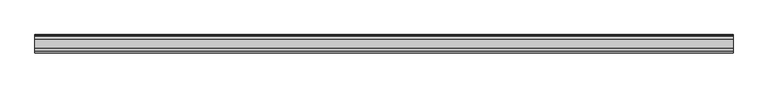
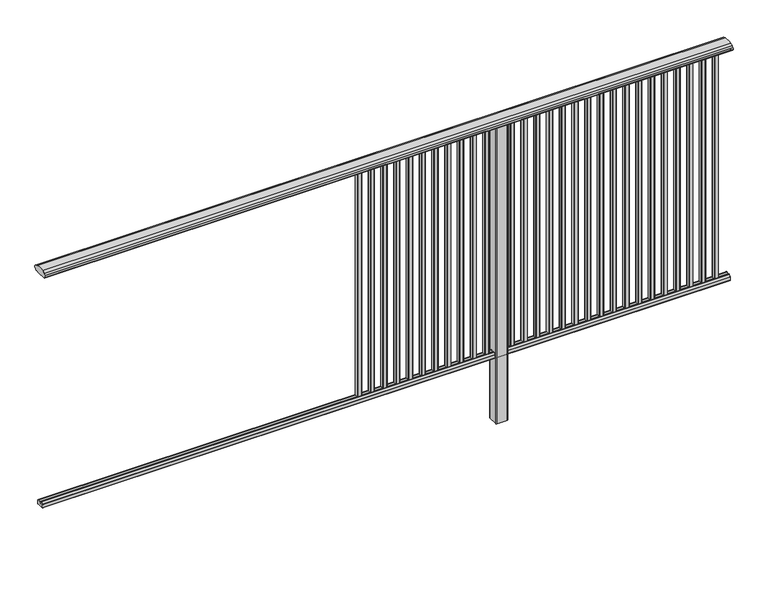
"""IFC4 building model written with IfcOpenShell, lengths in millimetres: railing geometry."""

from ifc_helpers import new_model, si_unit, point, frame, frame_2d, origin, place, context, project, spatial, polyline, circle_curve, trimmed, segment, composite_curve, outline, extrude, source, transform, mapped, element, save


def railing_456559c8(model_context):
    return source(origin(), model_context, "Body", "SweptSolid", [
        extrude(outline(composite_curve([segment(trimmed(circle_curve(frame_2d((7270.3619413, 1153.851602)), 44.999996), [point((7281.0673858, 1197.5596459))], [point((7293.2601573, 1192.5901015))], False, "CARTESIAN"), True, "CONTINUOUS"), segment(trimmed(circle_curve(frame_2d((7284.6097194, 1177.955556)), 17.0), [point((7293.2601573, 1192.5901015))], [point((7299.1544589, 1186.7561556))], False, "CARTESIAN"), True, "CONTINUOUS"), segment(trimmed(circle_curve(frame_2d((7292.0959826, 1182.4852765)), 8.2499997), [point((7299.1544589, 1186.7561556))], [point((7299.1544535, 1178.2143885))], False, "CARTESIAN"), True, "CONTINUOUS"), segment(trimmed(circle_curve(frame_2d((7284.6097251, 1187.0150065)), 17.0), [point((7299.1544535, 1178.2143885))], [point((7293.2601665, 1172.380463))], False, "CARTESIAN"), True, "CONTINUOUS"), segment(trimmed(circle_curve(frame_2d((7270.3619413, 1211.1189571)), 44.999996), [point((7293.2601665, 1172.380463))], [point((7288.7876029, 1170.064181))], False, "CARTESIAN"), True, "CONTINUOUS"), segment(trimmed(circle_curve(frame_2d((7288.1786159, 1172.1635324)), 2.185896), [point((7288.7876029, 1170.064181))], [point((7287.9960148, 1169.9852766))], False, "CARTESIAN"), True, "CONTINUOUS"), segment(trimmed(circle_curve(frame_2d((7287.9960148, 1170.8852766)), 0.9), [point((7287.9960148, 1169.9852766))], [point((7287.0981091, 1170.8239135))], False, "CARTESIAN"), True, "CONTINUOUS"), segment(trimmed(circle_curve(frame_2d((7286.5194733, 1170.8239135)), 0.5786359), [point((7287.0981091, 1170.8239135))], [point((7286.5194733, 1170.2452777))], False, "CARTESIAN"), True, "CONTINUOUS"), segment(polyline([(7286.5194733, 1170.2452777), (7269.5751393, 1170.2452777)]), True, "CONTINUOUS"), segment(trimmed(circle_curve(frame_2d((7260.8508208, 1187.1238497)), 18.999998), [point((7269.5751393, 1170.2452777))], [point((7252.1265024, 1170.2452777))], False, "CARTESIAN"), True, "CONTINUOUS"), segment(polyline([(7252.1265024, 1170.2452777), (7235.1821348, 1170.2452777)]), True, "CONTINUOUS"), segment(trimmed(circle_curve(frame_2d((7235.1821348, 1170.8239135)), 0.5786359), [point((7235.1821348, 1170.2452777))], [point((7234.603499, 1170.8239135))], False, "CARTESIAN"), True, "CONTINUOUS"), segment(trimmed(circle_curve(frame_2d((7233.7055933, 1170.8852766)), 0.9), [point((7234.603499, 1170.8239135))], [point((7233.7055933, 1169.9852766))], False, "CARTESIAN"), True, "CONTINUOUS"), segment(trimmed(circle_curve(frame_2d((7233.5229922, 1172.1635324)), 2.185896), [point((7233.7055933, 1169.9852766))], [point((7232.9140052, 1170.064181))], False, "CARTESIAN"), True, "CONTINUOUS"), segment(trimmed(circle_curve(frame_2d((7251.3396668, 1211.1189571)), 44.999996), [point((7232.9140052, 1170.064181))], [point((7228.8767914, 1172.1264081))], False, "CARTESIAN"), True, "CONTINUOUS"), segment(trimmed(circle_curve(frame_2d((7237.082215, 1187.0150288)), 17.0), [point((7228.8767914, 1172.1264081))], [point((7222.5375128, 1178.2143675))], False, "CARTESIAN"), True, "CONTINUOUS"), segment(trimmed(circle_curve(frame_2d((7229.595971, 1182.4852765)), 8.2499997), [point((7222.5375128, 1178.2143675))], [point((7222.5375074, 1186.7561766))], False, "CARTESIAN"), True, "CONTINUOUS"), segment(trimmed(circle_curve(frame_2d((7237.0822207, 1177.9555337)), 17.0), [point((7222.5375074, 1186.7561766))], [point((7228.4317599, 1192.5900657))], False, "CARTESIAN"), True, "CONTINUOUS"), segment(trimmed(circle_curve(frame_2d((7251.3300365, 1153.851602)), 44.999996), [point((7228.4317599, 1192.5900657))], [point((7240.624592, 1197.5596459))], False, "CARTESIAN"), True, "CONTINUOUS"), segment(trimmed(circle_curve(frame_2d((7260.8459889, 1115.0000001)), 85.0), [point((7240.624592, 1197.5596459))], [point((7281.0673858, 1197.5596459))], False, "CARTESIAN"), True, "CONTINUOUS")], self_intersect=False)), frame((3711.3946925, 0.0, 0.0), z_axis=(1.0, 0.0, 0.0), x_axis=(0.0, 1.0, 0.0)), (0.0, 0.0, 1.0), 3000.0),
        extrude(outline(composite_curve([segment(polyline([(7276.5508136, 100.0), (7245.1507946, 100.0)]), True, "CONTINUOUS"), segment(trimmed(circle_curve(frame_2d((7245.1507946, 101.8)), 1.8), [point((7245.1507946, 100.0))], [point((7243.3507946, 101.8))], False, "CARTESIAN"), True, "CONTINUOUS"), segment(polyline([(7243.3507946, 101.8), (7243.3507946, 115.5269955)]), True, "CONTINUOUS"), segment(trimmed(circle_curve(frame_2d((7245.1507946, 115.5269955)), 1.8), [point((7243.3507946, 115.5269955))], [point((7243.7923399, 116.7079277))], False, "CARTESIAN"), True, "CONTINUOUS"), segment(polyline([(7243.7923399, 116.7079277), (7250.4626384, 124.3809322)]), True, "CONTINUOUS"), segment(trimmed(circle_curve(frame_2d((7251.8210931, 123.2)), 1.8), [point((7250.4626384, 124.3809322))], [point((7251.8210931, 125.0))], False, "CARTESIAN"), True, "CONTINUOUS"), segment(polyline([(7251.8210931, 125.0), (7255.5111113, 125.0), (7256.809143, 113.0), (7264.8924411, 113.0), (7266.1904978, 125.0), (7269.88054, 125.0)]), True, "CONTINUOUS"), segment(trimmed(circle_curve(frame_2d((7269.88054, 123.2)), 1.8), [point((7269.88054, 125.0))], [point((7271.2389969, 124.3809297))], False, "CARTESIAN"), True, "CONTINUOUS"), segment(polyline([(7271.2389969, 124.3809297), (7277.9092704, 116.7079252)]), True, "CONTINUOUS"), segment(trimmed(circle_curve(frame_2d((7276.5508136, 115.5269955)), 1.8), [point((7277.9092704, 116.7079252))], [point((7278.3508136, 115.5269955))], False, "CARTESIAN"), True, "CONTINUOUS"), segment(polyline([(7278.3508136, 115.5269955), (7278.3508136, 101.8)]), True, "CONTINUOUS"), segment(trimmed(circle_curve(frame_2d((7276.5508136, 101.8)), 1.8), [point((7278.3508136, 101.8))], [point((7276.5508136, 100.0))], False, "CARTESIAN"), True, "CONTINUOUS")], self_intersect=False)), frame((3711.3946925, 0.0, 0.0), z_axis=(1.0, 0.0, 0.0), x_axis=(0.0, 1.0, 0.0)), (0.0, 0.0, 1.0), 3000.0),
        extrude(outline(composite_curve([segment(trimmed(circle_curve(frame_2d((6648.2391355, 7268.4508236)), 1.4), [point((6646.8391355, 7268.4508236))], [point((6648.2391355, 7269.8508236))], False, "CARTESIAN"), True, "CONTINUOUS"), segment(polyline([(6648.2391355, 7269.8508236), (6663.4391385, 7269.8508236)]), True, "CONTINUOUS"), segment(trimmed(circle_curve(frame_2d((6663.4391385, 7268.4508236)), 1.4), [point((6663.4391385, 7269.8508236))], [point((6664.8391385, 7268.4508236))], False, "CARTESIAN"), True, "CONTINUOUS"), segment(polyline([(6664.8391385, 7268.4508236), (6664.8391385, 7253.2507846)]), True, "CONTINUOUS"), segment(trimmed(circle_curve(frame_2d((6663.4391385, 7253.2507846)), 1.4), [point((6664.8391385, 7253.2507846))], [point((6663.4391385, 7251.8507846))], False, "CARTESIAN"), True, "CONTINUOUS"), segment(polyline([(6663.4391385, 7251.8507846), (6648.2391355, 7251.8507846)]), True, "CONTINUOUS"), segment(trimmed(circle_curve(frame_2d((6648.2391355, 7253.2507846)), 1.4), [point((6648.2391355, 7251.8507846))], [point((6646.8391355, 7253.2507846))], False, "CARTESIAN"), True, "CONTINUOUS"), segment(polyline([(6646.8391355, 7253.2507846), (6646.8391355, 7268.4508236)]), True, "CONTINUOUS")], self_intersect=False)), frame((0.0, 0.0, 125.0), z_axis=(0.0, 0.0, 1.0), x_axis=(1.0, 0.0, 0.0)), (0.0, 0.0, 1.0), 1043.1238517),
        extrude(outline(composite_curve([segment(trimmed(circle_curve(frame_2d((6592.6835799, 7268.4508236)), 1.4), [point((6591.2835799, 7268.4508236))], [point((6592.6835799, 7269.8508236))], False, "CARTESIAN"), True, "CONTINUOUS"), segment(polyline([(6592.6835799, 7269.8508236), (6607.8835829, 7269.8508236)]), True, "CONTINUOUS"), segment(trimmed(circle_curve(frame_2d((6607.8835829, 7268.4508236)), 1.4), [point((6607.8835829, 7269.8508236))], [point((6609.2835829, 7268.4508236))], False, "CARTESIAN"), True, "CONTINUOUS"), segment(polyline([(6609.2835829, 7268.4508236), (6609.2835829, 7253.2507846)]), True, "CONTINUOUS"), segment(trimmed(circle_curve(frame_2d((6607.8835829, 7253.2507846)), 1.4), [point((6609.2835829, 7253.2507846))], [point((6607.8835829, 7251.8507846))], False, "CARTESIAN"), True, "CONTINUOUS"), segment(polyline([(6607.8835829, 7251.8507846), (6592.6835799, 7251.8507846)]), True, "CONTINUOUS"), segment(trimmed(circle_curve(frame_2d((6592.6835799, 7253.2507846)), 1.4), [point((6592.6835799, 7251.8507846))], [point((6591.2835799, 7253.2507846))], False, "CARTESIAN"), True, "CONTINUOUS"), segment(polyline([(6591.2835799, 7253.2507846), (6591.2835799, 7268.4508236)]), True, "CONTINUOUS")], self_intersect=False)), frame((0.0, 0.0, 125.0), z_axis=(0.0, 0.0, 1.0), x_axis=(1.0, 0.0, 0.0)), (0.0, 0.0, 1.0), 1043.1238517),
        extrude(outline(composite_curve([segment(trimmed(circle_curve(frame_2d((6537.1280244, 7268.4508236)), 1.4), [point((6535.7280244, 7268.4508236))], [point((6537.1280244, 7269.8508236))], False, "CARTESIAN"), True, "CONTINUOUS"), segment(polyline([(6537.1280244, 7269.8508236), (6552.3280274, 7269.8508236)]), True, "CONTINUOUS"), segment(trimmed(circle_curve(frame_2d((6552.3280274, 7268.4508236)), 1.4), [point((6552.3280274, 7269.8508236))], [point((6553.7280274, 7268.4508236))], False, "CARTESIAN"), True, "CONTINUOUS"), segment(polyline([(6553.7280274, 7268.4508236), (6553.7280274, 7253.2507846)]), True, "CONTINUOUS"), segment(trimmed(circle_curve(frame_2d((6552.3280274, 7253.2507846)), 1.4), [point((6553.7280274, 7253.2507846))], [point((6552.3280274, 7251.8507846))], False, "CARTESIAN"), True, "CONTINUOUS"), segment(polyline([(6552.3280274, 7251.8507846), (6537.1280244, 7251.8507846)]), True, "CONTINUOUS"), segment(trimmed(circle_curve(frame_2d((6537.1280244, 7253.2507846)), 1.4), [point((6537.1280244, 7251.8507846))], [point((6535.7280244, 7253.2507846))], False, "CARTESIAN"), True, "CONTINUOUS"), segment(polyline([(6535.7280244, 7253.2507846), (6535.7280244, 7268.4508236)]), True, "CONTINUOUS")], self_intersect=False)), frame((0.0, 0.0, 125.0), z_axis=(0.0, 0.0, 1.0), x_axis=(1.0, 0.0, 0.0)), (0.0, 0.0, 1.0), 1043.1238517),
        extrude(outline(composite_curve([segment(trimmed(circle_curve(frame_2d((6481.5724688, 7268.4508236)), 1.4), [point((6480.1724688, 7268.4508236))], [point((6481.5724688, 7269.8508236))], False, "CARTESIAN"), True, "CONTINUOUS"), segment(polyline([(6481.5724688, 7269.8508236), (6496.7724718, 7269.8508236)]), True, "CONTINUOUS"), segment(trimmed(circle_curve(frame_2d((6496.7724718, 7268.4508236)), 1.4), [point((6496.7724718, 7269.8508236))], [point((6498.1724718, 7268.4508236))], False, "CARTESIAN"), True, "CONTINUOUS"), segment(polyline([(6498.1724718, 7268.4508236), (6498.1724718, 7253.2507846)]), True, "CONTINUOUS"), segment(trimmed(circle_curve(frame_2d((6496.7724718, 7253.2507846)), 1.4), [point((6498.1724718, 7253.2507846))], [point((6496.7724718, 7251.8507846))], False, "CARTESIAN"), True, "CONTINUOUS"), segment(polyline([(6496.7724718, 7251.8507846), (6481.5724688, 7251.8507846)]), True, "CONTINUOUS"), segment(trimmed(circle_curve(frame_2d((6481.5724688, 7253.2507846)), 1.4), [point((6481.5724688, 7251.8507846))], [point((6480.1724688, 7253.2507846))], False, "CARTESIAN"), True, "CONTINUOUS"), segment(polyline([(6480.1724688, 7253.2507846), (6480.1724688, 7268.4508236)]), True, "CONTINUOUS")], self_intersect=False)), frame((0.0, 0.0, 125.0), z_axis=(0.0, 0.0, 1.0), x_axis=(1.0, 0.0, 0.0)), (0.0, 0.0, 1.0), 1043.1238517),
        extrude(outline(composite_curve([segment(trimmed(circle_curve(frame_2d((6426.0169133, 7268.4508236)), 1.4), [point((6424.6169133, 7268.4508236))], [point((6426.0169133, 7269.8508236))], False, "CARTESIAN"), True, "CONTINUOUS"), segment(polyline([(6426.0169133, 7269.8508236), (6441.2169163, 7269.8508236)]), True, "CONTINUOUS"), segment(trimmed(circle_curve(frame_2d((6441.2169163, 7268.4508236)), 1.4), [point((6441.2169163, 7269.8508236))], [point((6442.6169163, 7268.4508236))], False, "CARTESIAN"), True, "CONTINUOUS"), segment(polyline([(6442.6169163, 7268.4508236), (6442.6169163, 7253.2507846)]), True, "CONTINUOUS"), segment(trimmed(circle_curve(frame_2d((6441.2169163, 7253.2507846)), 1.4), [point((6442.6169163, 7253.2507846))], [point((6441.2169163, 7251.8507846))], False, "CARTESIAN"), True, "CONTINUOUS"), segment(polyline([(6441.2169163, 7251.8507846), (6426.0169133, 7251.8507846)]), True, "CONTINUOUS"), segment(trimmed(circle_curve(frame_2d((6426.0169133, 7253.2507846)), 1.4), [point((6426.0169133, 7251.8507846))], [point((6424.6169133, 7253.2507846))], False, "CARTESIAN"), True, "CONTINUOUS"), segment(polyline([(6424.6169133, 7253.2507846), (6424.6169133, 7268.4508236)]), True, "CONTINUOUS")], self_intersect=False)), frame((0.0, 0.0, 125.0), z_axis=(0.0, 0.0, 1.0), x_axis=(1.0, 0.0, 0.0)), (0.0, 0.0, 1.0), 1043.1238517),
        extrude(outline(composite_curve([segment(trimmed(circle_curve(frame_2d((6370.4613577, 7268.4508236)), 1.4), [point((6369.0613577, 7268.4508236))], [point((6370.4613577, 7269.8508236))], False, "CARTESIAN"), True, "CONTINUOUS"), segment(polyline([(6370.4613577, 7269.8508236), (6385.6613607, 7269.8508236)]), True, "CONTINUOUS"), segment(trimmed(circle_curve(frame_2d((6385.6613607, 7268.4508236)), 1.4), [point((6385.6613607, 7269.8508236))], [point((6387.0613607, 7268.4508236))], False, "CARTESIAN"), True, "CONTINUOUS"), segment(polyline([(6387.0613607, 7268.4508236), (6387.0613607, 7253.2507846)]), True, "CONTINUOUS"), segment(trimmed(circle_curve(frame_2d((6385.6613607, 7253.2507846)), 1.4), [point((6387.0613607, 7253.2507846))], [point((6385.6613607, 7251.8507846))], False, "CARTESIAN"), True, "CONTINUOUS"), segment(polyline([(6385.6613607, 7251.8507846), (6370.4613577, 7251.8507846)]), True, "CONTINUOUS"), segment(trimmed(circle_curve(frame_2d((6370.4613577, 7253.2507846)), 1.4), [point((6370.4613577, 7251.8507846))], [point((6369.0613577, 7253.2507846))], False, "CARTESIAN"), True, "CONTINUOUS"), segment(polyline([(6369.0613577, 7253.2507846), (6369.0613577, 7268.4508236)]), True, "CONTINUOUS")], self_intersect=False)), frame((0.0, 0.0, 125.0), z_axis=(0.0, 0.0, 1.0), x_axis=(1.0, 0.0, 0.0)), (0.0, 0.0, 1.0), 1043.1238517),
        extrude(outline(composite_curve([segment(trimmed(circle_curve(frame_2d((6314.9058021, 7268.4508236)), 1.4), [point((6313.5058021, 7268.4508236))], [point((6314.9058021, 7269.8508236))], False, "CARTESIAN"), True, "CONTINUOUS"), segment(polyline([(6314.9058021, 7269.8508236), (6330.1058051, 7269.8508236)]), True, "CONTINUOUS"), segment(trimmed(circle_curve(frame_2d((6330.1058051, 7268.4508236)), 1.4), [point((6330.1058051, 7269.8508236))], [point((6331.5058051, 7268.4508236))], False, "CARTESIAN"), True, "CONTINUOUS"), segment(polyline([(6331.5058051, 7268.4508236), (6331.5058051, 7253.2507846)]), True, "CONTINUOUS"), segment(trimmed(circle_curve(frame_2d((6330.1058051, 7253.2507846)), 1.4), [point((6331.5058051, 7253.2507846))], [point((6330.1058051, 7251.8507846))], False, "CARTESIAN"), True, "CONTINUOUS"), segment(polyline([(6330.1058051, 7251.8507846), (6314.9058021, 7251.8507846)]), True, "CONTINUOUS"), segment(trimmed(circle_curve(frame_2d((6314.9058021, 7253.2507846)), 1.4), [point((6314.9058021, 7251.8507846))], [point((6313.5058021, 7253.2507846))], False, "CARTESIAN"), True, "CONTINUOUS"), segment(polyline([(6313.5058021, 7253.2507846), (6313.5058021, 7268.4508236)]), True, "CONTINUOUS")], self_intersect=False)), frame((0.0, 0.0, 125.0), z_axis=(0.0, 0.0, 1.0), x_axis=(1.0, 0.0, 0.0)), (0.0, 0.0, 1.0), 1043.1238517),
        extrude(outline(composite_curve([segment(trimmed(circle_curve(frame_2d((6259.3502466, 7268.4508236)), 1.4), [point((6257.9502466, 7268.4508236))], [point((6259.3502466, 7269.8508236))], False, "CARTESIAN"), True, "CONTINUOUS"), segment(polyline([(6259.3502466, 7269.8508236), (6274.5502496, 7269.8508236)]), True, "CONTINUOUS"), segment(trimmed(circle_curve(frame_2d((6274.5502496, 7268.4508236)), 1.4), [point((6274.5502496, 7269.8508236))], [point((6275.9502496, 7268.4508236))], False, "CARTESIAN"), True, "CONTINUOUS"), segment(polyline([(6275.9502496, 7268.4508236), (6275.9502496, 7253.2507846)]), True, "CONTINUOUS"), segment(trimmed(circle_curve(frame_2d((6274.5502496, 7253.2507846)), 1.4), [point((6275.9502496, 7253.2507846))], [point((6274.5502496, 7251.8507846))], False, "CARTESIAN"), True, "CONTINUOUS"), segment(polyline([(6274.5502496, 7251.8507846), (6259.3502466, 7251.8507846)]), True, "CONTINUOUS"), segment(trimmed(circle_curve(frame_2d((6259.3502466, 7253.2507846)), 1.4), [point((6259.3502466, 7251.8507846))], [point((6257.9502466, 7253.2507846))], False, "CARTESIAN"), True, "CONTINUOUS"), segment(polyline([(6257.9502466, 7253.2507846), (6257.9502466, 7268.4508236)]), True, "CONTINUOUS")], self_intersect=False)), frame((0.0, 0.0, 125.0), z_axis=(0.0, 0.0, 1.0), x_axis=(1.0, 0.0, 0.0)), (0.0, 0.0, 1.0), 1043.1238517),
        extrude(outline(composite_curve([segment(trimmed(circle_curve(frame_2d((6203.794691, 7268.4508236)), 1.4), [point((6202.394691, 7268.4508236))], [point((6203.794691, 7269.8508236))], False, "CARTESIAN"), True, "CONTINUOUS"), segment(polyline([(6203.794691, 7269.8508236), (6218.994694, 7269.8508236)]), True, "CONTINUOUS"), segment(trimmed(circle_curve(frame_2d((6218.994694, 7268.4508236)), 1.4), [point((6218.994694, 7269.8508236))], [point((6220.394694, 7268.4508236))], False, "CARTESIAN"), True, "CONTINUOUS"), segment(polyline([(6220.394694, 7268.4508236), (6220.394694, 7253.2507846)]), True, "CONTINUOUS"), segment(trimmed(circle_curve(frame_2d((6218.994694, 7253.2507846)), 1.4), [point((6220.394694, 7253.2507846))], [point((6218.994694, 7251.8507846))], False, "CARTESIAN"), True, "CONTINUOUS"), segment(polyline([(6218.994694, 7251.8507846), (6203.794691, 7251.8507846)]), True, "CONTINUOUS"), segment(trimmed(circle_curve(frame_2d((6203.794691, 7253.2507846)), 1.4), [point((6203.794691, 7251.8507846))], [point((6202.394691, 7253.2507846))], False, "CARTESIAN"), True, "CONTINUOUS"), segment(polyline([(6202.394691, 7253.2507846), (6202.394691, 7268.4508236)]), True, "CONTINUOUS")], self_intersect=False)), frame((0.0, 0.0, 125.0), z_axis=(0.0, 0.0, 1.0), x_axis=(1.0, 0.0, 0.0)), (0.0, 0.0, 1.0), 1043.1238517),
        extrude(outline(composite_curve([segment(trimmed(circle_curve(frame_2d((6148.2391355, 7268.4508236)), 1.4), [point((6146.8391355, 7268.4508236))], [point((6148.2391355, 7269.8508236))], False, "CARTESIAN"), True, "CONTINUOUS"), segment(polyline([(6148.2391355, 7269.8508236), (6163.4391385, 7269.8508236)]), True, "CONTINUOUS"), segment(trimmed(circle_curve(frame_2d((6163.4391385, 7268.4508236)), 1.4), [point((6163.4391385, 7269.8508236))], [point((6164.8391385, 7268.4508236))], False, "CARTESIAN"), True, "CONTINUOUS"), segment(polyline([(6164.8391385, 7268.4508236), (6164.8391385, 7253.2507846)]), True, "CONTINUOUS"), segment(trimmed(circle_curve(frame_2d((6163.4391385, 7253.2507846)), 1.4), [point((6164.8391385, 7253.2507846))], [point((6163.4391385, 7251.8507846))], False, "CARTESIAN"), True, "CONTINUOUS"), segment(polyline([(6163.4391385, 7251.8507846), (6148.2391355, 7251.8507846)]), True, "CONTINUOUS"), segment(trimmed(circle_curve(frame_2d((6148.2391355, 7253.2507846)), 1.4), [point((6148.2391355, 7251.8507846))], [point((6146.8391355, 7253.2507846))], False, "CARTESIAN"), True, "CONTINUOUS"), segment(polyline([(6146.8391355, 7253.2507846), (6146.8391355, 7268.4508236)]), True, "CONTINUOUS")], self_intersect=False)), frame((0.0, 0.0, 125.0), z_axis=(0.0, 0.0, 1.0), x_axis=(1.0, 0.0, 0.0)), (0.0, 0.0, 1.0), 1043.1238517),
        extrude(outline(composite_curve([segment(trimmed(circle_curve(frame_2d((6092.6835799, 7268.4508236)), 1.4), [point((6091.2835799, 7268.4508236))], [point((6092.6835799, 7269.8508236))], False, "CARTESIAN"), True, "CONTINUOUS"), segment(polyline([(6092.6835799, 7269.8508236), (6107.8835829, 7269.8508236)]), True, "CONTINUOUS"), segment(trimmed(circle_curve(frame_2d((6107.8835829, 7268.4508236)), 1.4), [point((6107.8835829, 7269.8508236))], [point((6109.2835829, 7268.4508236))], False, "CARTESIAN"), True, "CONTINUOUS"), segment(polyline([(6109.2835829, 7268.4508236), (6109.2835829, 7253.2507846)]), True, "CONTINUOUS"), segment(trimmed(circle_curve(frame_2d((6107.8835829, 7253.2507846)), 1.4), [point((6109.2835829, 7253.2507846))], [point((6107.8835829, 7251.8507846))], False, "CARTESIAN"), True, "CONTINUOUS"), segment(polyline([(6107.8835829, 7251.8507846), (6092.6835799, 7251.8507846)]), True, "CONTINUOUS"), segment(trimmed(circle_curve(frame_2d((6092.6835799, 7253.2507846)), 1.4), [point((6092.6835799, 7251.8507846))], [point((6091.2835799, 7253.2507846))], False, "CARTESIAN"), True, "CONTINUOUS"), segment(polyline([(6091.2835799, 7253.2507846), (6091.2835799, 7268.4508236)]), True, "CONTINUOUS")], self_intersect=False)), frame((0.0, 0.0, 125.0), z_axis=(0.0, 0.0, 1.0), x_axis=(1.0, 0.0, 0.0)), (0.0, 0.0, 1.0), 1043.1238517),
        extrude(outline(composite_curve([segment(trimmed(circle_curve(frame_2d((6037.1280244, 7268.4508236)), 1.4), [point((6035.7280244, 7268.4508236))], [point((6037.1280244, 7269.8508236))], False, "CARTESIAN"), True, "CONTINUOUS"), segment(polyline([(6037.1280244, 7269.8508236), (6052.3280274, 7269.8508236)]), True, "CONTINUOUS"), segment(trimmed(circle_curve(frame_2d((6052.3280274, 7268.4508236)), 1.4), [point((6052.3280274, 7269.8508236))], [point((6053.7280274, 7268.4508236))], False, "CARTESIAN"), True, "CONTINUOUS"), segment(polyline([(6053.7280274, 7268.4508236), (6053.7280274, 7253.2507846)]), True, "CONTINUOUS"), segment(trimmed(circle_curve(frame_2d((6052.3280274, 7253.2507846)), 1.4), [point((6053.7280274, 7253.2507846))], [point((6052.3280274, 7251.8507846))], False, "CARTESIAN"), True, "CONTINUOUS"), segment(polyline([(6052.3280274, 7251.8507846), (6037.1280244, 7251.8507846)]), True, "CONTINUOUS"), segment(trimmed(circle_curve(frame_2d((6037.1280244, 7253.2507846)), 1.4), [point((6037.1280244, 7251.8507846))], [point((6035.7280244, 7253.2507846))], False, "CARTESIAN"), True, "CONTINUOUS"), segment(polyline([(6035.7280244, 7253.2507846), (6035.7280244, 7268.4508236)]), True, "CONTINUOUS")], self_intersect=False)), frame((0.0, 0.0, 125.0), z_axis=(0.0, 0.0, 1.0), x_axis=(1.0, 0.0, 0.0)), (0.0, 0.0, 1.0), 1043.1238517),
        extrude(outline(composite_curve([segment(trimmed(circle_curve(frame_2d((5981.5724688, 7268.4508236)), 1.4), [point((5980.1724688, 7268.4508236))], [point((5981.5724688, 7269.8508236))], False, "CARTESIAN"), True, "CONTINUOUS"), segment(polyline([(5981.5724688, 7269.8508236), (5996.7724718, 7269.8508236)]), True, "CONTINUOUS"), segment(trimmed(circle_curve(frame_2d((5996.7724718, 7268.4508236)), 1.4), [point((5996.7724718, 7269.8508236))], [point((5998.1724718, 7268.4508236))], False, "CARTESIAN"), True, "CONTINUOUS"), segment(polyline([(5998.1724718, 7268.4508236), (5998.1724718, 7253.2507846)]), True, "CONTINUOUS"), segment(trimmed(circle_curve(frame_2d((5996.7724718, 7253.2507846)), 1.4), [point((5998.1724718, 7253.2507846))], [point((5996.7724718, 7251.8507846))], False, "CARTESIAN"), True, "CONTINUOUS"), segment(polyline([(5996.7724718, 7251.8507846), (5981.5724688, 7251.8507846)]), True, "CONTINUOUS"), segment(trimmed(circle_curve(frame_2d((5981.5724688, 7253.2507846)), 1.4), [point((5981.5724688, 7251.8507846))], [point((5980.1724688, 7253.2507846))], False, "CARTESIAN"), True, "CONTINUOUS"), segment(polyline([(5980.1724688, 7253.2507846), (5980.1724688, 7268.4508236)]), True, "CONTINUOUS")], self_intersect=False)), frame((0.0, 0.0, 125.0), z_axis=(0.0, 0.0, 1.0), x_axis=(1.0, 0.0, 0.0)), (0.0, 0.0, 1.0), 1043.1238517),
        extrude(outline(composite_curve([segment(trimmed(circle_curve(frame_2d((5926.0169133, 7268.4508236)), 1.4), [point((5924.6169133, 7268.4508236))], [point((5926.0169133, 7269.8508236))], False, "CARTESIAN"), True, "CONTINUOUS"), segment(polyline([(5926.0169133, 7269.8508236), (5941.2169163, 7269.8508236)]), True, "CONTINUOUS"), segment(trimmed(circle_curve(frame_2d((5941.2169163, 7268.4508236)), 1.4), [point((5941.2169163, 7269.8508236))], [point((5942.6169163, 7268.4508236))], False, "CARTESIAN"), True, "CONTINUOUS"), segment(polyline([(5942.6169163, 7268.4508236), (5942.6169163, 7253.2507846)]), True, "CONTINUOUS"), segment(trimmed(circle_curve(frame_2d((5941.2169163, 7253.2507846)), 1.4), [point((5942.6169163, 7253.2507846))], [point((5941.2169163, 7251.8507846))], False, "CARTESIAN"), True, "CONTINUOUS"), segment(polyline([(5941.2169163, 7251.8507846), (5926.0169133, 7251.8507846)]), True, "CONTINUOUS"), segment(trimmed(circle_curve(frame_2d((5926.0169133, 7253.2507846)), 1.4), [point((5926.0169133, 7251.8507846))], [point((5924.6169133, 7253.2507846))], False, "CARTESIAN"), True, "CONTINUOUS"), segment(polyline([(5924.6169133, 7253.2507846), (5924.6169133, 7268.4508236)]), True, "CONTINUOUS")], self_intersect=False)), frame((0.0, 0.0, 125.0), z_axis=(0.0, 0.0, 1.0), x_axis=(1.0, 0.0, 0.0)), (0.0, 0.0, 1.0), 1043.1238517),
        extrude(outline(composite_curve([segment(trimmed(circle_curve(frame_2d((5870.4613577, 7268.4508236)), 1.4), [point((5869.0613577, 7268.4508236))], [point((5870.4613577, 7269.8508236))], False, "CARTESIAN"), True, "CONTINUOUS"), segment(polyline([(5870.4613577, 7269.8508236), (5885.6613607, 7269.8508236)]), True, "CONTINUOUS"), segment(trimmed(circle_curve(frame_2d((5885.6613607, 7268.4508236)), 1.4), [point((5885.6613607, 7269.8508236))], [point((5887.0613607, 7268.4508236))], False, "CARTESIAN"), True, "CONTINUOUS"), segment(polyline([(5887.0613607, 7268.4508236), (5887.0613607, 7253.2507846)]), True, "CONTINUOUS"), segment(trimmed(circle_curve(frame_2d((5885.6613607, 7253.2507846)), 1.4), [point((5887.0613607, 7253.2507846))], [point((5885.6613607, 7251.8507846))], False, "CARTESIAN"), True, "CONTINUOUS"), segment(polyline([(5885.6613607, 7251.8507846), (5870.4613577, 7251.8507846)]), True, "CONTINUOUS"), segment(trimmed(circle_curve(frame_2d((5870.4613577, 7253.2507846)), 1.4), [point((5870.4613577, 7251.8507846))], [point((5869.0613577, 7253.2507846))], False, "CARTESIAN"), True, "CONTINUOUS"), segment(polyline([(5869.0613577, 7253.2507846), (5869.0613577, 7268.4508236)]), True, "CONTINUOUS")], self_intersect=False)), frame((0.0, 0.0, 125.0), z_axis=(0.0, 0.0, 1.0), x_axis=(1.0, 0.0, 0.0)), (0.0, 0.0, 1.0), 1043.1238517),
        extrude(outline(composite_curve([segment(trimmed(circle_curve(frame_2d((5814.9058021, 7268.4508236)), 1.4), [point((5813.5058021, 7268.4508236))], [point((5814.9058021, 7269.8508236))], False, "CARTESIAN"), True, "CONTINUOUS"), segment(polyline([(5814.9058021, 7269.8508236), (5830.1058051, 7269.8508236)]), True, "CONTINUOUS"), segment(trimmed(circle_curve(frame_2d((5830.1058051, 7268.4508236)), 1.4), [point((5830.1058051, 7269.8508236))], [point((5831.5058051, 7268.4508236))], False, "CARTESIAN"), True, "CONTINUOUS"), segment(polyline([(5831.5058051, 7268.4508236), (5831.5058051, 7253.2507846)]), True, "CONTINUOUS"), segment(trimmed(circle_curve(frame_2d((5830.1058051, 7253.2507846)), 1.4), [point((5831.5058051, 7253.2507846))], [point((5830.1058051, 7251.8507846))], False, "CARTESIAN"), True, "CONTINUOUS"), segment(polyline([(5830.1058051, 7251.8507846), (5814.9058021, 7251.8507846)]), True, "CONTINUOUS"), segment(trimmed(circle_curve(frame_2d((5814.9058021, 7253.2507846)), 1.4), [point((5814.9058021, 7251.8507846))], [point((5813.5058021, 7253.2507846))], False, "CARTESIAN"), True, "CONTINUOUS"), segment(polyline([(5813.5058021, 7253.2507846), (5813.5058021, 7268.4508236)]), True, "CONTINUOUS")], self_intersect=False)), frame((0.0, 0.0, 125.0), z_axis=(0.0, 0.0, 1.0), x_axis=(1.0, 0.0, 0.0)), (0.0, 0.0, 1.0), 1043.1238517),
        extrude(outline(composite_curve([segment(trimmed(circle_curve(frame_2d((5759.3502466, 7268.4508236)), 1.4), [point((5757.9502466, 7268.4508236))], [point((5759.3502466, 7269.8508236))], False, "CARTESIAN"), True, "CONTINUOUS"), segment(polyline([(5759.3502466, 7269.8508236), (5774.5502496, 7269.8508236)]), True, "CONTINUOUS"), segment(trimmed(circle_curve(frame_2d((5774.5502496, 7268.4508236)), 1.4), [point((5774.5502496, 7269.8508236))], [point((5775.9502496, 7268.4508236))], False, "CARTESIAN"), True, "CONTINUOUS"), segment(polyline([(5775.9502496, 7268.4508236), (5775.9502496, 7253.2507846)]), True, "CONTINUOUS"), segment(trimmed(circle_curve(frame_2d((5774.5502496, 7253.2507846)), 1.4), [point((5775.9502496, 7253.2507846))], [point((5774.5502496, 7251.8507846))], False, "CARTESIAN"), True, "CONTINUOUS"), segment(polyline([(5774.5502496, 7251.8507846), (5759.3502466, 7251.8507846)]), True, "CONTINUOUS"), segment(trimmed(circle_curve(frame_2d((5759.3502466, 7253.2507846)), 1.4), [point((5759.3502466, 7251.8507846))], [point((5757.9502466, 7253.2507846))], False, "CARTESIAN"), True, "CONTINUOUS"), segment(polyline([(5757.9502466, 7253.2507846), (5757.9502466, 7268.4508236)]), True, "CONTINUOUS")], self_intersect=False)), frame((0.0, 0.0, 125.0), z_axis=(0.0, 0.0, 1.0), x_axis=(1.0, 0.0, 0.0)), (0.0, 0.0, 1.0), 1043.1238517),
        extrude(outline(composite_curve([segment(trimmed(circle_curve(frame_2d((5733.7947043, 7283.2508153)), 3.0), [point((5733.794704, 7286.2508153))], [point((5736.7947043, 7283.2508156))], False, "CARTESIAN"), True, "CONTINUOUS"), segment(polyline([(5736.7947043, 7283.2508156), (5736.7947083, 7238.4507926)]), True, "CONTINUOUS"), segment(trimmed(circle_curve(frame_2d((5733.7947083, 7238.4507923)), 3.0), [point((5736.7947083, 7238.4507926))], [point((5733.7947086, 7235.4507923))], False, "CARTESIAN"), True, "CONTINUOUS"), segment(polyline([(5733.7947086, 7235.4507923), (5688.9946856, 7235.4507883)]), True, "CONTINUOUS"), segment(trimmed(circle_curve(frame_2d((5688.9946853, 7238.4507883)), 3.0), [point((5688.9946856, 7235.4507883))], [point((5685.9946853, 7238.450788))], False, "CARTESIAN"), True, "CONTINUOUS"), segment(polyline([(5685.9946853, 7238.450788), (5685.9946813, 7283.250811)]), True, "CONTINUOUS"), segment(trimmed(circle_curve(frame_2d((5688.9946813, 7283.2508113)), 3.0), [point((5685.9946813, 7283.250811))], [point((5688.994681, 7286.2508113))], False, "CARTESIAN"), True, "CONTINUOUS"), segment(polyline([(5688.994681, 7286.2508113), (5733.794704, 7286.2508153)]), True, "CONTINUOUS")], self_intersect=False)), frame((0.0, 0.0, -198.0), z_axis=(0.0, 0.0, 1.0), x_axis=(1.0, 0.0, 0.0)), (0.0, 0.0, 1.0), 1366.1238517),
        extrude(outline(composite_curve([segment(trimmed(circle_curve(frame_2d((5648.2391355, 7268.4508236)), 1.4), [point((5646.8391355, 7268.4508236))], [point((5648.2391355, 7269.8508236))], False, "CARTESIAN"), True, "CONTINUOUS"), segment(polyline([(5648.2391355, 7269.8508236), (5663.4391385, 7269.8508236)]), True, "CONTINUOUS"), segment(trimmed(circle_curve(frame_2d((5663.4391385, 7268.4508236)), 1.4), [point((5663.4391385, 7269.8508236))], [point((5664.8391385, 7268.4508236))], False, "CARTESIAN"), True, "CONTINUOUS"), segment(polyline([(5664.8391385, 7268.4508236), (5664.8391385, 7253.2507846)]), True, "CONTINUOUS"), segment(trimmed(circle_curve(frame_2d((5663.4391385, 7253.2507846)), 1.4), [point((5664.8391385, 7253.2507846))], [point((5663.4391385, 7251.8507846))], False, "CARTESIAN"), True, "CONTINUOUS"), segment(polyline([(5663.4391385, 7251.8507846), (5648.2391355, 7251.8507846)]), True, "CONTINUOUS"), segment(trimmed(circle_curve(frame_2d((5648.2391355, 7253.2507846)), 1.4), [point((5648.2391355, 7251.8507846))], [point((5646.8391355, 7253.2507846))], False, "CARTESIAN"), True, "CONTINUOUS"), segment(polyline([(5646.8391355, 7253.2507846), (5646.8391355, 7268.4508236)]), True, "CONTINUOUS")], self_intersect=False)), frame((0.0, 0.0, 125.0), z_axis=(0.0, 0.0, 1.0), x_axis=(1.0, 0.0, 0.0)), (0.0, 0.0, 1.0), 1043.1238517),
        extrude(outline(composite_curve([segment(trimmed(circle_curve(frame_2d((5592.6835799, 7268.4508236)), 1.4), [point((5591.2835799, 7268.4508236))], [point((5592.6835799, 7269.8508236))], False, "CARTESIAN"), True, "CONTINUOUS"), segment(polyline([(5592.6835799, 7269.8508236), (5607.8835829, 7269.8508236)]), True, "CONTINUOUS"), segment(trimmed(circle_curve(frame_2d((5607.8835829, 7268.4508236)), 1.4), [point((5607.8835829, 7269.8508236))], [point((5609.2835829, 7268.4508236))], False, "CARTESIAN"), True, "CONTINUOUS"), segment(polyline([(5609.2835829, 7268.4508236), (5609.2835829, 7253.2507846)]), True, "CONTINUOUS"), segment(trimmed(circle_curve(frame_2d((5607.8835829, 7253.2507846)), 1.4), [point((5609.2835829, 7253.2507846))], [point((5607.8835829, 7251.8507846))], False, "CARTESIAN"), True, "CONTINUOUS"), segment(polyline([(5607.8835829, 7251.8507846), (5592.6835799, 7251.8507846)]), True, "CONTINUOUS"), segment(trimmed(circle_curve(frame_2d((5592.6835799, 7253.2507846)), 1.4), [point((5592.6835799, 7251.8507846))], [point((5591.2835799, 7253.2507846))], False, "CARTESIAN"), True, "CONTINUOUS"), segment(polyline([(5591.2835799, 7253.2507846), (5591.2835799, 7268.4508236)]), True, "CONTINUOUS")], self_intersect=False)), frame((0.0, 0.0, 125.0), z_axis=(0.0, 0.0, 1.0), x_axis=(1.0, 0.0, 0.0)), (0.0, 0.0, 1.0), 1043.1238517),
        extrude(outline(composite_curve([segment(trimmed(circle_curve(frame_2d((5537.1280244, 7268.4508236)), 1.4), [point((5535.7280244, 7268.4508236))], [point((5537.1280244, 7269.8508236))], False, "CARTESIAN"), True, "CONTINUOUS"), segment(polyline([(5537.1280244, 7269.8508236), (5552.3280274, 7269.8508236)]), True, "CONTINUOUS"), segment(trimmed(circle_curve(frame_2d((5552.3280274, 7268.4508236)), 1.4), [point((5552.3280274, 7269.8508236))], [point((5553.7280274, 7268.4508236))], False, "CARTESIAN"), True, "CONTINUOUS"), segment(polyline([(5553.7280274, 7268.4508236), (5553.7280274, 7253.2507846)]), True, "CONTINUOUS"), segment(trimmed(circle_curve(frame_2d((5552.3280274, 7253.2507846)), 1.4), [point((5553.7280274, 7253.2507846))], [point((5552.3280274, 7251.8507846))], False, "CARTESIAN"), True, "CONTINUOUS"), segment(polyline([(5552.3280274, 7251.8507846), (5537.1280244, 7251.8507846)]), True, "CONTINUOUS"), segment(trimmed(circle_curve(frame_2d((5537.1280244, 7253.2507846)), 1.4), [point((5537.1280244, 7251.8507846))], [point((5535.7280244, 7253.2507846))], False, "CARTESIAN"), True, "CONTINUOUS"), segment(polyline([(5535.7280244, 7253.2507846), (5535.7280244, 7268.4508236)]), True, "CONTINUOUS")], self_intersect=False)), frame((0.0, 0.0, 125.0), z_axis=(0.0, 0.0, 1.0), x_axis=(1.0, 0.0, 0.0)), (0.0, 0.0, 1.0), 1043.1238517),
        extrude(outline(composite_curve([segment(trimmed(circle_curve(frame_2d((5481.5724688, 7268.4508236)), 1.4), [point((5480.1724688, 7268.4508236))], [point((5481.5724688, 7269.8508236))], False, "CARTESIAN"), True, "CONTINUOUS"), segment(polyline([(5481.5724688, 7269.8508236), (5496.7724718, 7269.8508236)]), True, "CONTINUOUS"), segment(trimmed(circle_curve(frame_2d((5496.7724718, 7268.4508236)), 1.4), [point((5496.7724718, 7269.8508236))], [point((5498.1724718, 7268.4508236))], False, "CARTESIAN"), True, "CONTINUOUS"), segment(polyline([(5498.1724718, 7268.4508236), (5498.1724718, 7253.2507846)]), True, "CONTINUOUS"), segment(trimmed(circle_curve(frame_2d((5496.7724718, 7253.2507846)), 1.4), [point((5498.1724718, 7253.2507846))], [point((5496.7724718, 7251.8507846))], False, "CARTESIAN"), True, "CONTINUOUS"), segment(polyline([(5496.7724718, 7251.8507846), (5481.5724688, 7251.8507846)]), True, "CONTINUOUS"), segment(trimmed(circle_curve(frame_2d((5481.5724688, 7253.2507846)), 1.4), [point((5481.5724688, 7251.8507846))], [point((5480.1724688, 7253.2507846))], False, "CARTESIAN"), True, "CONTINUOUS"), segment(polyline([(5480.1724688, 7253.2507846), (5480.1724688, 7268.4508236)]), True, "CONTINUOUS")], self_intersect=False)), frame((0.0, 0.0, 125.0), z_axis=(0.0, 0.0, 1.0), x_axis=(1.0, 0.0, 0.0)), (0.0, 0.0, 1.0), 1043.1238517),
        extrude(outline(composite_curve([segment(trimmed(circle_curve(frame_2d((5426.0169133, 7268.4508236)), 1.4), [point((5424.6169133, 7268.4508236))], [point((5426.0169133, 7269.8508236))], False, "CARTESIAN"), True, "CONTINUOUS"), segment(polyline([(5426.0169133, 7269.8508236), (5441.2169163, 7269.8508236)]), True, "CONTINUOUS"), segment(trimmed(circle_curve(frame_2d((5441.2169163, 7268.4508236)), 1.4), [point((5441.2169163, 7269.8508236))], [point((5442.6169163, 7268.4508236))], False, "CARTESIAN"), True, "CONTINUOUS"), segment(polyline([(5442.6169163, 7268.4508236), (5442.6169163, 7253.2507846)]), True, "CONTINUOUS"), segment(trimmed(circle_curve(frame_2d((5441.2169163, 7253.2507846)), 1.4), [point((5442.6169163, 7253.2507846))], [point((5441.2169163, 7251.8507846))], False, "CARTESIAN"), True, "CONTINUOUS"), segment(polyline([(5441.2169163, 7251.8507846), (5426.0169133, 7251.8507846)]), True, "CONTINUOUS"), segment(trimmed(circle_curve(frame_2d((5426.0169133, 7253.2507846)), 1.4), [point((5426.0169133, 7251.8507846))], [point((5424.6169133, 7253.2507846))], False, "CARTESIAN"), True, "CONTINUOUS"), segment(polyline([(5424.6169133, 7253.2507846), (5424.6169133, 7268.4508236)]), True, "CONTINUOUS")], self_intersect=False)), frame((0.0, 0.0, 125.0), z_axis=(0.0, 0.0, 1.0), x_axis=(1.0, 0.0, 0.0)), (0.0, 0.0, 1.0), 1043.1238517),
        extrude(outline(composite_curve([segment(trimmed(circle_curve(frame_2d((5370.4613577, 7268.4508236)), 1.4), [point((5369.0613577, 7268.4508236))], [point((5370.4613577, 7269.8508236))], False, "CARTESIAN"), True, "CONTINUOUS"), segment(polyline([(5370.4613577, 7269.8508236), (5385.6613607, 7269.8508236)]), True, "CONTINUOUS"), segment(trimmed(circle_curve(frame_2d((5385.6613607, 7268.4508236)), 1.4), [point((5385.6613607, 7269.8508236))], [point((5387.0613607, 7268.4508236))], False, "CARTESIAN"), True, "CONTINUOUS"), segment(polyline([(5387.0613607, 7268.4508236), (5387.0613607, 7253.2507846)]), True, "CONTINUOUS"), segment(trimmed(circle_curve(frame_2d((5385.6613607, 7253.2507846)), 1.4), [point((5387.0613607, 7253.2507846))], [point((5385.6613607, 7251.8507846))], False, "CARTESIAN"), True, "CONTINUOUS"), segment(polyline([(5385.6613607, 7251.8507846), (5370.4613577, 7251.8507846)]), True, "CONTINUOUS"), segment(trimmed(circle_curve(frame_2d((5370.4613577, 7253.2507846)), 1.4), [point((5370.4613577, 7251.8507846))], [point((5369.0613577, 7253.2507846))], False, "CARTESIAN"), True, "CONTINUOUS"), segment(polyline([(5369.0613577, 7253.2507846), (5369.0613577, 7268.4508236)]), True, "CONTINUOUS")], self_intersect=False)), frame((0.0, 0.0, 125.0), z_axis=(0.0, 0.0, 1.0), x_axis=(1.0, 0.0, 0.0)), (0.0, 0.0, 1.0), 1043.1238517),
        extrude(outline(composite_curve([segment(trimmed(circle_curve(frame_2d((5314.9058021, 7268.4508236)), 1.4), [point((5313.5058021, 7268.4508236))], [point((5314.9058021, 7269.8508236))], False, "CARTESIAN"), True, "CONTINUOUS"), segment(polyline([(5314.9058021, 7269.8508236), (5330.1058051, 7269.8508236)]), True, "CONTINUOUS"), segment(trimmed(circle_curve(frame_2d((5330.1058051, 7268.4508236)), 1.4), [point((5330.1058051, 7269.8508236))], [point((5331.5058051, 7268.4508236))], False, "CARTESIAN"), True, "CONTINUOUS"), segment(polyline([(5331.5058051, 7268.4508236), (5331.5058051, 7253.2507846)]), True, "CONTINUOUS"), segment(trimmed(circle_curve(frame_2d((5330.1058051, 7253.2507846)), 1.4), [point((5331.5058051, 7253.2507846))], [point((5330.1058051, 7251.8507846))], False, "CARTESIAN"), True, "CONTINUOUS"), segment(polyline([(5330.1058051, 7251.8507846), (5314.9058021, 7251.8507846)]), True, "CONTINUOUS"), segment(trimmed(circle_curve(frame_2d((5314.9058021, 7253.2507846)), 1.4), [point((5314.9058021, 7251.8507846))], [point((5313.5058021, 7253.2507846))], False, "CARTESIAN"), True, "CONTINUOUS"), segment(polyline([(5313.5058021, 7253.2507846), (5313.5058021, 7268.4508236)]), True, "CONTINUOUS")], self_intersect=False)), frame((0.0, 0.0, 125.0), z_axis=(0.0, 0.0, 1.0), x_axis=(1.0, 0.0, 0.0)), (0.0, 0.0, 1.0), 1043.1238517),
        extrude(outline(composite_curve([segment(trimmed(circle_curve(frame_2d((5259.3502466, 7268.4508236)), 1.4), [point((5257.9502466, 7268.4508236))], [point((5259.3502466, 7269.8508236))], False, "CARTESIAN"), True, "CONTINUOUS"), segment(polyline([(5259.3502466, 7269.8508236), (5274.5502496, 7269.8508236)]), True, "CONTINUOUS"), segment(trimmed(circle_curve(frame_2d((5274.5502496, 7268.4508236)), 1.4), [point((5274.5502496, 7269.8508236))], [point((5275.9502496, 7268.4508236))], False, "CARTESIAN"), True, "CONTINUOUS"), segment(polyline([(5275.9502496, 7268.4508236), (5275.9502496, 7253.2507846)]), True, "CONTINUOUS"), segment(trimmed(circle_curve(frame_2d((5274.5502496, 7253.2507846)), 1.4), [point((5275.9502496, 7253.2507846))], [point((5274.5502496, 7251.8507846))], False, "CARTESIAN"), True, "CONTINUOUS"), segment(polyline([(5274.5502496, 7251.8507846), (5259.3502466, 7251.8507846)]), True, "CONTINUOUS"), segment(trimmed(circle_curve(frame_2d((5259.3502466, 7253.2507846)), 1.4), [point((5259.3502466, 7251.8507846))], [point((5257.9502466, 7253.2507846))], False, "CARTESIAN"), True, "CONTINUOUS"), segment(polyline([(5257.9502466, 7253.2507846), (5257.9502466, 7268.4508236)]), True, "CONTINUOUS")], self_intersect=False)), frame((0.0, 0.0, 125.0), z_axis=(0.0, 0.0, 1.0), x_axis=(1.0, 0.0, 0.0)), (0.0, 0.0, 1.0), 1043.1238517),
        extrude(outline(composite_curve([segment(trimmed(circle_curve(frame_2d((5203.794691, 7268.4508236)), 1.4), [point((5202.394691, 7268.4508236))], [point((5203.794691, 7269.8508236))], False, "CARTESIAN"), True, "CONTINUOUS"), segment(polyline([(5203.794691, 7269.8508236), (5218.994694, 7269.8508236)]), True, "CONTINUOUS"), segment(trimmed(circle_curve(frame_2d((5218.994694, 7268.4508236)), 1.4), [point((5218.994694, 7269.8508236))], [point((5220.394694, 7268.4508236))], False, "CARTESIAN"), True, "CONTINUOUS"), segment(polyline([(5220.394694, 7268.4508236), (5220.394694, 7253.2507846)]), True, "CONTINUOUS"), segment(trimmed(circle_curve(frame_2d((5218.994694, 7253.2507846)), 1.4), [point((5220.394694, 7253.2507846))], [point((5218.994694, 7251.8507846))], False, "CARTESIAN"), True, "CONTINUOUS"), segment(polyline([(5218.994694, 7251.8507846), (5203.794691, 7251.8507846)]), True, "CONTINUOUS"), segment(trimmed(circle_curve(frame_2d((5203.794691, 7253.2507846)), 1.4), [point((5203.794691, 7251.8507846))], [point((5202.394691, 7253.2507846))], False, "CARTESIAN"), True, "CONTINUOUS"), segment(polyline([(5202.394691, 7253.2507846), (5202.394691, 7268.4508236)]), True, "CONTINUOUS")], self_intersect=False)), frame((0.0, 0.0, 125.0), z_axis=(0.0, 0.0, 1.0), x_axis=(1.0, 0.0, 0.0)), (0.0, 0.0, 1.0), 1043.1238517),
        extrude(outline(composite_curve([segment(trimmed(circle_curve(frame_2d((5148.2391355, 7268.4508236)), 1.4), [point((5146.8391355, 7268.4508236))], [point((5148.2391355, 7269.8508236))], False, "CARTESIAN"), True, "CONTINUOUS"), segment(polyline([(5148.2391355, 7269.8508236), (5163.4391385, 7269.8508236)]), True, "CONTINUOUS"), segment(trimmed(circle_curve(frame_2d((5163.4391385, 7268.4508236)), 1.4), [point((5163.4391385, 7269.8508236))], [point((5164.8391385, 7268.4508236))], False, "CARTESIAN"), True, "CONTINUOUS"), segment(polyline([(5164.8391385, 7268.4508236), (5164.8391385, 7253.2507846)]), True, "CONTINUOUS"), segment(trimmed(circle_curve(frame_2d((5163.4391385, 7253.2507846)), 1.4), [point((5164.8391385, 7253.2507846))], [point((5163.4391385, 7251.8507846))], False, "CARTESIAN"), True, "CONTINUOUS"), segment(polyline([(5163.4391385, 7251.8507846), (5148.2391355, 7251.8507846)]), True, "CONTINUOUS"), segment(trimmed(circle_curve(frame_2d((5148.2391355, 7253.2507846)), 1.4), [point((5148.2391355, 7251.8507846))], [point((5146.8391355, 7253.2507846))], False, "CARTESIAN"), True, "CONTINUOUS"), segment(polyline([(5146.8391355, 7253.2507846), (5146.8391355, 7268.4508236)]), True, "CONTINUOUS")], self_intersect=False)), frame((0.0, 0.0, 125.0), z_axis=(0.0, 0.0, 1.0), x_axis=(1.0, 0.0, 0.0)), (0.0, 0.0, 1.0), 1043.1238517),
        extrude(outline(composite_curve([segment(trimmed(circle_curve(frame_2d((5092.6835799, 7268.4508236)), 1.4), [point((5091.2835799, 7268.4508236))], [point((5092.6835799, 7269.8508236))], False, "CARTESIAN"), True, "CONTINUOUS"), segment(polyline([(5092.6835799, 7269.8508236), (5107.8835829, 7269.8508236)]), True, "CONTINUOUS"), segment(trimmed(circle_curve(frame_2d((5107.8835829, 7268.4508236)), 1.4), [point((5107.8835829, 7269.8508236))], [point((5109.2835829, 7268.4508236))], False, "CARTESIAN"), True, "CONTINUOUS"), segment(polyline([(5109.2835829, 7268.4508236), (5109.2835829, 7253.2507846)]), True, "CONTINUOUS"), segment(trimmed(circle_curve(frame_2d((5107.8835829, 7253.2507846)), 1.4), [point((5109.2835829, 7253.2507846))], [point((5107.8835829, 7251.8507846))], False, "CARTESIAN"), True, "CONTINUOUS"), segment(polyline([(5107.8835829, 7251.8507846), (5092.6835799, 7251.8507846)]), True, "CONTINUOUS"), segment(trimmed(circle_curve(frame_2d((5092.6835799, 7253.2507846)), 1.4), [point((5092.6835799, 7251.8507846))], [point((5091.2835799, 7253.2507846))], False, "CARTESIAN"), True, "CONTINUOUS"), segment(polyline([(5091.2835799, 7253.2507846), (5091.2835799, 7268.4508236)]), True, "CONTINUOUS")], self_intersect=False)), frame((0.0, 0.0, 125.0), z_axis=(0.0, 0.0, 1.0), x_axis=(1.0, 0.0, 0.0)), (0.0, 0.0, 1.0), 1043.1238517),
    ])


if __name__ == "__main__":
    model = new_model("IFC4")
    model_context = context("Model", 3, world=origin())
    ifc_project = project(units=[si_unit("LENGTHUNIT", "METRE", prefix="MILLI")], contexts=[model_context])
    site = spatial("IfcSite", under=ifc_project)
    building = spatial("IfcBuilding", under=site)
    placement = place(None, origin())
    railing_shape = railing_456559c8(model_context)
    element("IfcRailing", 1, at=placement, inside=building, context=model_context, shape_type="MappedRepresentation", body=[
        mapped(railing_shape, transform((0.0, 0.0, 0.0), x_axis=(1.0, 0.0, 0.0), y_axis=(0.0, 1.0, 0.0), z_axis=(0.0, 0.0, 1.0))),
    ])
    save(model, "model.ifc")
